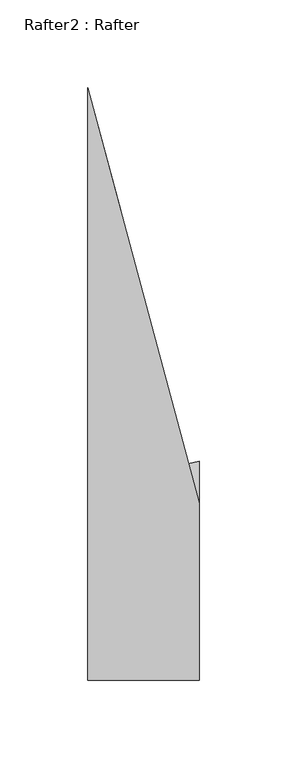
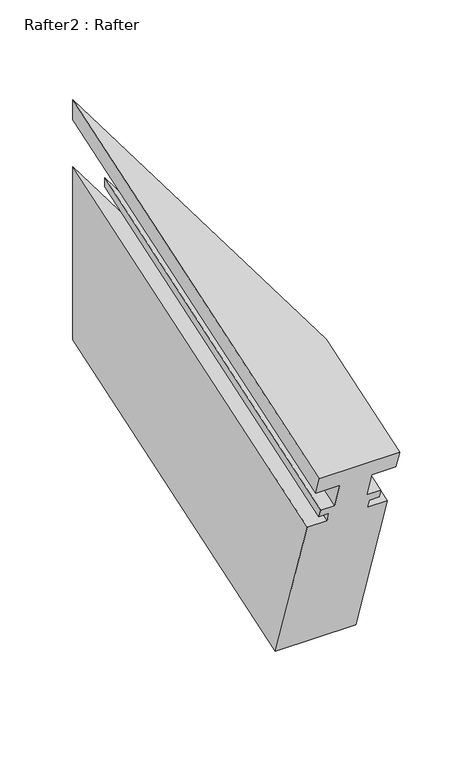
"""IFC4 building model written with IfcOpenShell, lengths in millimetres: proxy geometry, Rafter2 : Rafter."""

import ifcopenshell
import ifcopenshell.guid

model = None  # the IFC model being written
_history = None  # IfcOwnerHistory: only IFC2X3 demands one
_inside = {}  # id of a spatial element -> (the spatial element, [elements in it])
_under = {}  # id of a project, library or spatial element -> (it, [spatial elements below it])
_declared = {}  # id of a project -> (the project, [libraries it declares])
_typed = {}  # id of a type object -> (the type object, [elements of that type])
_made_of = {}  # id of a material, layer set ... -> (it, [elements and type objects made of it])


def new_model(schema):
    """Start an empty IFC model of exactly this schema.

    Asked for "IFC4X3", IfcOpenShell would pick the latest addendum, in which some entities
    have other attributes; the version numbers below select the first issue.
    IFC2X3 requires an IfcOwnerHistory on every rooted entity: one is made here for all.
    """
    global model, _history
    if schema == "IFC4X3":
        model = ifcopenshell.file(schema_version=(4, 3, 0, 0))
    else:
        model = ifcopenshell.file(schema=schema)
    _inside.clear()
    _under.clear()
    _declared.clear()
    _typed.clear()
    _made_of.clear()
    _history = None
    if model.schema == "IFC2X3":
        org = make("IfcOrganization", Name="unknown")
        user = make(
            "IfcPersonAndOrganization",
            ThePerson=make("IfcPerson", FamilyName="unknown"),
            TheOrganization=org,
        )
        app = make(
            "IfcApplication",
            ApplicationDeveloper=org,
            Version="unknown",
            ApplicationFullName="unknown",
            ApplicationIdentifier="unknown",
        )
        _history = make(
            "IfcOwnerHistory",
            OwningUser=user,
            OwningApplication=app,
            ChangeAction="ADDED",
            CreationDate=0,
        )
    return model


def make(cls, **values):
    """One entity of the class cls with the attributes given. An attribute that is None is left unset."""
    return model.create_entity(
        cls, **{name: value for name, value in values.items() if value is not None}
    )


def rooted(cls, **values):
    """An entity with a GlobalId (a new one), such as an element, a storey or a relation."""
    return make(cls, GlobalId=ifcopenshell.guid.new(), OwnerHistory=_history, **values)


def si_unit(unit_type, name, prefix=None):
    """IfcSIUnit, for example si_unit("LENGTHUNIT", "METRE", prefix="MILLI")."""
    return make("IfcSIUnit", UnitType=unit_type, Prefix=prefix, Name=name)


def assignment(units):
    """IfcUnitAssignment: the units of a project."""
    return None if units is None else make("IfcUnitAssignment", Units=units)


def point(xyz):
    """IfcCartesianPoint."""
    return None if xyz is None else make("IfcCartesianPoint", Coordinates=xyz)


def direction(xyz):
    """IfcDirection."""
    return None if xyz is None else make("IfcDirection", DirectionRatios=xyz)


def frame(location, z_axis=None, x_axis=None):
    """IfcAxis2Placement3D, a coordinate frame: its origin and axes. An axis left out is left unset."""
    return make(
        "IfcAxis2Placement3D",
        Location=point(location),
        Axis=direction(z_axis),
        RefDirection=direction(x_axis),
    )


def origin():
    """The frame at (0, 0, 0) with its axes left unset."""
    return frame((0.0, 0.0, 0.0))


def place(relative_to, where):
    """IfcLocalPlacement: puts the frame where relative to a parent placement (None: the world)."""
    return make(
        "IfcLocalPlacement", PlacementRelTo=relative_to, RelativePlacement=where
    )


def context(
    kind, dimensions, precision=None, world=None, true_north=None, identifier=None
):
    """IfcGeometricRepresentationContext, for example the 3D "Model" context."""
    return make(
        "IfcGeometricRepresentationContext",
        ContextIdentifier=identifier,
        ContextType=kind,
        CoordinateSpaceDimension=dimensions,
        Precision=precision,
        WorldCoordinateSystem=world,
        TrueNorth=true_north,
    )


def project(units=None, contexts=None):
    """IfcProject with its units and contexts."""
    return rooted(
        "IfcProject",
        Name="project",
        RepresentationContexts=contexts,
        UnitsInContext=assignment(units),
    )


def spatial(cls, under=None, at=None, **own):
    """A site, building, storey or space (cls), placed at a placement, below another one or the project."""
    s = rooted(cls, ObjectPlacement=at, **own)
    if under is not None:
        _under.setdefault(under.id(), (under, []))[1].append(s)
    return s


def faces_of(points, faces, orient=None, outer=None):
    """IfcFace entities. A face is a list of loops; a loop is a list of indices into points, from 0.

    orient and outer hold one flag for each loop. By default every Orientation is true, the
    first loop of a face is its IfcFaceOuterBound and the others are IfcFaceBound.
    """
    made = []
    for i, loops in enumerate(faces):
        bounds = []
        for j, loop in enumerate(loops):
            is_outer = j == 0 if outer is None else outer[i][j]
            bounds.append(
                make(
                    "IfcFaceOuterBound" if is_outer else "IfcFaceBound",
                    Bound=make("IfcPolyLoop", Polygon=[points[k] for k in loop]),
                    Orientation=True if orient is None else orient[i][j],
                )
            )
        made.append(make("IfcFace", Bounds=bounds))
    return made


def faceted_brep(points, faces, orient=None, outer=None, voids=None):
    """IfcFacetedBrep: a solid bounded by flat faces; with voids (closed shells), ...WithVoids."""
    shared = [point(p) for p in points]
    hull = make("IfcClosedShell", CfsFaces=faces_of(shared, faces, orient, outer))
    if voids is None:
        return make("IfcFacetedBrep", Outer=hull)
    return make(
        "IfcFacetedBrepWithVoids",
        Outer=hull,
        Voids=[
            make(cls, CfsFaces=faces_of(shared, fs, o, b)) for cls, fs, o, b in voids
        ],
    )


def shape(context_of_items, identifier, shape_type, items):
    """IfcShapeRepresentation: the items that make up one representation, for example the "Body"."""
    return make(
        "IfcShapeRepresentation",
        ContextOfItems=context_of_items,
        RepresentationIdentifier=identifier,
        RepresentationType=shape_type,
        Items=items,
    )


def source(mapping_origin, context_of_items, identifier, shape_type, items):
    """IfcRepresentationMap: a shape defined once, which mapped items show again and again."""
    return make(
        "IfcRepresentationMap",
        MappingOrigin=mapping_origin,
        MappedRepresentation=shape(context_of_items, identifier, shape_type, items),
    )


def transform(
    local_origin,
    x_axis=None,
    y_axis=None,
    z_axis=None,
    scale=None,
    scale2=None,
    scale3=None,
    uniform=True,
):
    """IfcCartesianTransformationOperator3D, or its non-uniform kind. x_axis, y_axis, z_axis: its Axis1, 2, 3."""
    if uniform:
        return make(
            "IfcCartesianTransformationOperator3D",
            Axis1=direction(x_axis),
            Axis2=direction(y_axis),
            LocalOrigin=point(local_origin),
            Scale=scale,
            Axis3=direction(z_axis),
        )
    return make(
        "IfcCartesianTransformationOperator3DnonUniform",
        Axis1=direction(x_axis),
        Axis2=direction(y_axis),
        LocalOrigin=point(local_origin),
        Scale=scale,
        Axis3=direction(z_axis),
        Scale2=scale2,
        Scale3=scale3,
    )


def mapped(mapping_source, mapping_target):
    """IfcMappedItem: shows the shape of a source again, moved by a transform."""
    return make(
        "IfcMappedItem", MappingSource=mapping_source, MappingTarget=mapping_target
    )


def made_of(thing, what):
    """Note that an element or type object is made of a material, layer set ...; save() writes the relation."""
    if what is not None:
        _made_of.setdefault(what.id(), (what, []))[1].append(thing)
    return thing


def element(
    cls,
    number,
    at=None,
    inside=None,
    cuts=None,
    type_object=None,
    material=None,
    context=None,
    identifier="Body",
    shape_type=None,
    held_by="IfcProductDefinitionShape",
    body=None,
    shapes=None,
    **own,
):
    """One element of the class cls, such as IfcWall. Its Tag is "e" and its number.

    at: its placement. inside: the storey or other place that contains it. cuts: it is an
    opening in that element (IfcRelVoidsElement). A single representation is given by context,
    identifier, shape_type and body (its items); several are given by shapes. held_by: the class
    of the entity that holds the representations. save() writes the other relations.
    """
    e = rooted(cls, Tag="e%d" % number, ObjectPlacement=at, **own)
    if body is not None:
        shapes = [shape(context, identifier, shape_type, body)]
    if shapes is not None:
        e.Representation = make(held_by, Representations=shapes)
    if inside is not None:
        _inside.setdefault(inside.id(), (inside, []))[1].append(e)
    if cuts is not None:
        rooted(
            "IfcRelVoidsElement", RelatingBuildingElement=cuts, RelatedOpeningElement=e
        )
    if type_object is not None:
        _typed.setdefault(type_object.id(), (type_object, []))[1].append(e)
    return made_of(e, material)


def aggregate(whole, parts):
    """IfcRelAggregates: a whole, such as a stair, and the parts it consists of."""
    return rooted("IfcRelAggregates", RelatingObject=whole, RelatedObjects=parts)


def save(model, path):
    """Write the relations noted so far, then the file.

    IfcRelAggregates (storeys below a building ...), IfcRelContainedInSpatialStructure (elements
    in a storey), IfcRelDefinesByType, IfcRelAssociatesMaterial and IfcRelDeclares: one each for
    every whole, place, type object, material and project.
    """
    for whole, parts in _under.values():
        aggregate(whole, parts)
    for where, things in _inside.values():
        rooted(
            "IfcRelContainedInSpatialStructure",
            RelatedElements=things,
            RelatingStructure=where,
        )
    for kind, things in _typed.values():
        rooted("IfcRelDefinesByType", RelatedObjects=things, RelatingType=kind)
    for what, things in _made_of.values():
        rooted("IfcRelAssociatesMaterial", RelatedObjects=things, RelatingMaterial=what)
    for by, libraries in _declared.values():
        rooted("IfcRelDeclares", RelatingContext=by, RelatedDefinitions=libraries)
    model.write(path)


def rafter2_rafter_520d46c6(model_context):
    return source(origin(), model_context, "Body", "Brep", [
        faceted_brep([(13115.03398, -2215.6211927, 1954.6434696), (13115.03398, -2210.6023777, 1939.5826887), (13134.08398, -2210.6023777, 1939.5826887), (13134.08398, -2203.4957358, 1918.256623), (13122.95878, -2203.4957358, 1918.256623), (13122.95878, -2201.2312465, 1911.4611986), (13130.90898, -2201.2312465, 1911.4611986), (13130.90898, -2198.7338841, 1903.966954), (13115.03398, -2198.7338841, 1903.966954), (13115.03398, -2155.3151122, 1773.6731263), (13178.53398, -2155.3151122, 1773.6731263), (13178.53398, -2198.7338841, 1903.966954), (13162.65898, -2198.7338841, 1903.966954), (13162.65898, -2201.2312465, 1911.4611986), (13170.60918, -2201.2312465, 1911.4611986), (13170.60918, -2203.4957358, 1918.256623), (13159.48398, -2203.4957358, 1918.256623), (13159.48398, -2210.6023777, 1939.5826887), (13178.53398, -2210.6023777, 1939.5826887), (13178.53398, -2215.6211927, 1954.6434696), (13115.03398, -1877.7750722, 2067.2264209), (13115.03398, -1877.7713674, 2050.4944179), (13134.08398, -1948.8669352, 2026.8027181), (13134.08398, -1948.8616891, 2003.1102019), (13122.95878, -1907.3418775, 2016.9461546), (13122.95878, -1907.3402058, 2009.3966748), (13130.90898, -1937.0107562, 1999.5093388), (13130.90898, -1937.0089126, 1991.1834941), (13115.03398, -1877.762606, 2010.9265773), (13115.03398, -1877.7305543, 1866.1746732), (13172.5066293, -2092.2214016, 1794.6983082), (13178.53398, -2090.7677965, 1795.1827037), (13178.53398, -2114.733472, 1867.1004356), (13178.53398, -2114.7478323, 1931.9542447), (13162.65898, -2055.5015257, 1951.6973279), (13162.65898, -2055.5033693, 1960.0231725), (13170.60918, -2085.1739196, 1950.1358365), (13170.60918, -2085.1755913, 1957.6853162), (13159.48398, -2043.6557796, 1971.5212689), (13159.48398, -2043.6610257, 1995.2137851), (13178.53398, -2114.7565936, 1971.5220853), (13178.53398, -2114.7602985, 1988.2540883)], [[[0, 1, 2, 3, 4, 5, 6, 7, 8, 9, 10, 11, 12, 13, 14, 15, 16, 17, 18, 19]], [[1, 0, 20, 21]], [[2, 1, 21, 22]], [[3, 2, 22, 23]], [[4, 3, 23, 24]], [[5, 4, 24, 25]], [[6, 5, 25, 26]], [[7, 6, 26, 27]], [[8, 7, 27, 28]], [[9, 8, 28, 29]], [[10, 9, 29, 30, 31]], [[11, 10, 31, 32, 33]], [[12, 11, 33, 34]], [[13, 12, 34, 35]], [[14, 13, 35, 36]], [[15, 14, 36, 37]], [[16, 15, 37, 38]], [[17, 16, 38, 39]], [[18, 17, 39, 40]], [[19, 18, 40, 41]], [[0, 19, 41, 20]], [[32, 30, 29, 28, 27, 26, 25, 24, 23, 22, 21, 20, 41, 40, 39, 38, 37, 36, 35, 34, 33]], [[30, 32, 31]]]),
    ])


if __name__ == "__main__":
    model = new_model("IFC4")
    model_context = context("Model", 3, world=origin())
    ifc_project = project(units=[si_unit("LENGTHUNIT", "METRE", prefix="MILLI")], contexts=[model_context])
    site = spatial("IfcSite", under=ifc_project)
    building = spatial("IfcBuilding", under=site)
    placement = place(None, origin())
    rafter2_rafter_shape = rafter2_rafter_520d46c6(model_context)
    element("IfcBuildingElementProxy", 1, Name="Rafter2 : Rafter", ObjectType="Rafter2 : Rafter", at=placement, inside=building, context=model_context, shape_type="MappedRepresentation", body=[
        mapped(rafter2_rafter_shape, transform((0.0, 0.0, 0.0), x_axis=(1.0, 0.0, 0.0), y_axis=(0.0, 1.0, 0.0), z_axis=(0.0, 0.0, 1.0))),
    ])
    save(model, "model.ifc")
